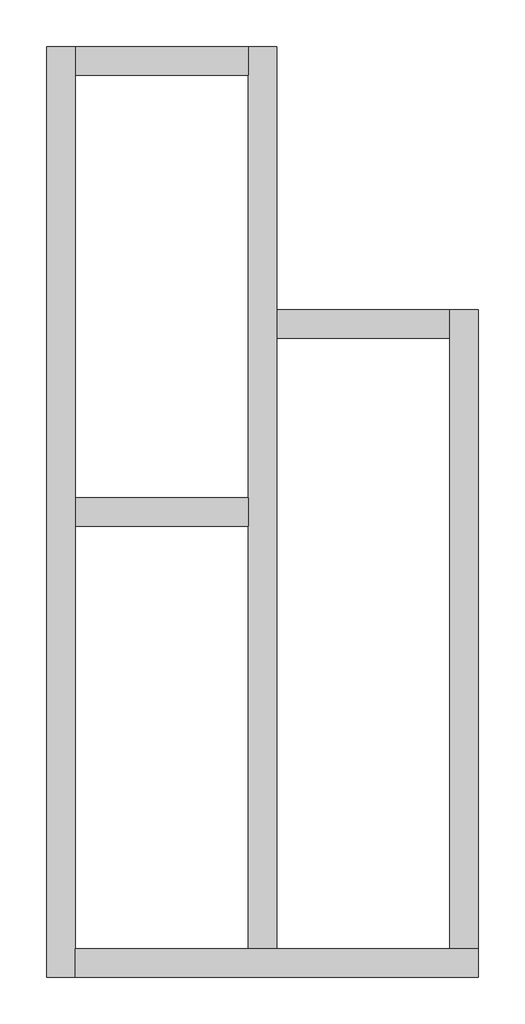
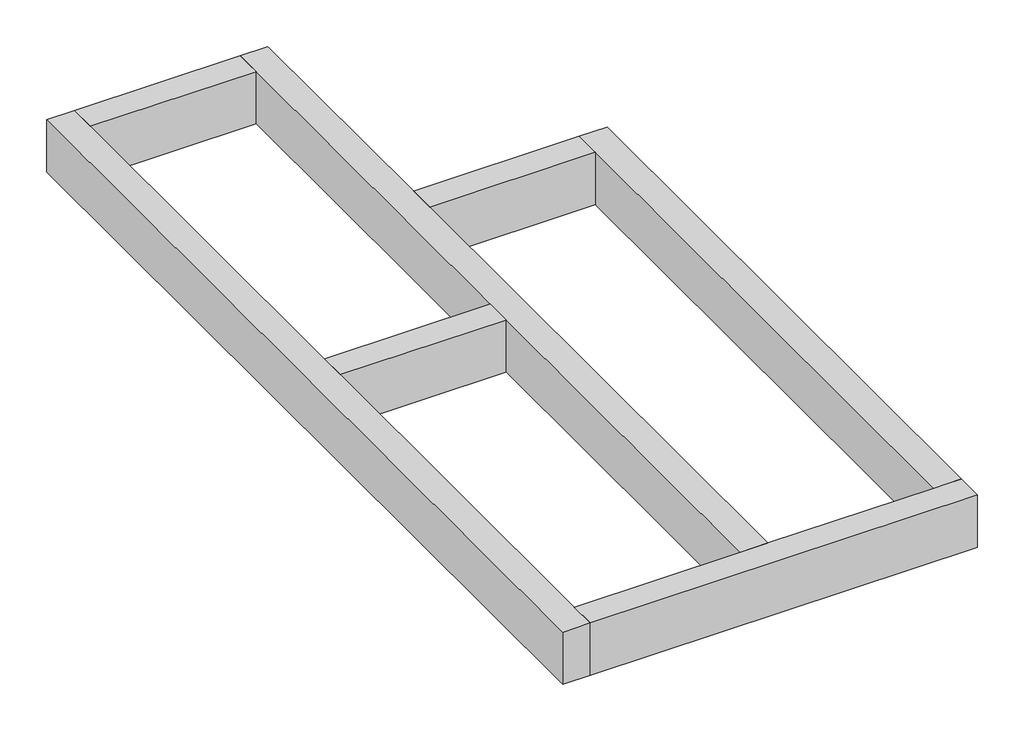
# One storey: 7 beams.
"""IFC4 building model written with IfcOpenShell, lengths in millimetres."""

from ifc_helpers import new_model, si_unit, frame, origin, place, context, project, spatial, polyline, outline, extrude, faceted_brep, element, save

model = new_model("IFC4")

# Units and contexts
model_context = context("Model", 3, world=origin())
ifc_project = project(units=[si_unit("LENGTHUNIT", "METRE", prefix="MILLI")], contexts=[model_context])

# Site, building, storey
site = spatial("IfcSite", under=ifc_project)
building = spatial("IfcBuilding", under=site)
storey = spatial("IfcBuildingStorey", under=building, Elevation=-1200.0)

# Beams
placement = place(None, origin())
element("IfcBeam", 1, ObjectType="300x600", at=placement, inside=storey, context=model_context, shape_type="Brep", body=[
    faceted_brep([(-9778.2860255, 14707.8411318, -800.0), (-10078.2860255, 14707.8411318, -800.0), (-10078.2860255, 5007.8411318, -800.0), (-9778.2860255, 5007.8411318, -800.0), (-9778.2860255, 5307.8411318, -800.0), (-9778.2860255, 9707.8411318, -800.0), (-9778.2860255, 10007.8411318, -800.0), (-9778.2860255, 14407.8411318, -800.0), (-10078.2860255, 14707.8411318, -1400.0), (-10078.2860255, 5007.8411318, -1400.0), (-9778.2860255, 14707.8411318, -1400.0), (-9778.2860255, 14407.8411318, -1400.0), (-9778.2860255, 10007.8411318, -1400.0), (-9778.2860255, 9707.8411318, -1400.0), (-9778.2860255, 5307.8411318, -1400.0), (-9778.2860255, 5007.8411318, -1400.0)], [[[0, 1, 2, 3, 4, 5, 6, 7]], [[1, 8, 9, 2]], [[8, 10, 11, 12, 13, 14, 15, 9]], [[10, 0, 7, 6, 5, 4, 3, 15, 14, 13, 12, 11]], [[1, 0, 10, 8]], [[3, 2, 9, 15]]]),
])
element("IfcBeam", 2, ObjectType="300x600", at=placement, inside=storey, context=model_context, shape_type="Brep", body=[
    faceted_brep([(-5578.2860255, 5007.8411318, -800.0), (-5578.2860255, 5307.8411318, -800.0), (-5878.2860255, 5307.8411318, -800.0), (-7678.2860255, 5307.8411318, -800.0), (-7978.2860255, 5307.8411318, -800.0), (-9778.2860255, 5307.8411318, -800.0), (-9778.2860255, 5007.8411318, -800.0), (-5578.2860255, 5307.8411318, -1400.0), (-5878.2860255, 5307.8411318, -1400.0), (-7678.2860255, 5307.8411318, -1400.0), (-7978.2860255, 5307.8411318, -1400.0), (-9778.2860255, 5307.8411318, -1400.0), (-5578.2860255, 5007.8411318, -1400.0), (-9778.2860255, 5007.8411318, -1400.0)], [[[0, 1, 2, 3, 4, 5, 6]], [[1, 7, 8, 9, 10, 11, 5, 4, 3, 2]], [[7, 12, 13, 11, 10, 9, 8]], [[12, 0, 6, 13]], [[1, 0, 12, 7]], [[6, 5, 11, 13]]]),
])
element("IfcBeam", 3, ObjectType="300x600", at=placement, inside=storey, context=model_context, shape_type="Brep", body=[
    faceted_brep([(-5578.2860255, 11967.8411318, -800.0), (-5878.2860255, 11967.8411318, -800.0), (-5878.2860255, 11667.8411318, -800.0), (-5878.2860255, 5307.8411318, -800.0), (-5578.2860255, 5307.8411318, -800.0), (-5878.2860255, 11967.8411318, -1400.0), (-5878.2860255, 11667.8411318, -1400.0), (-5878.2860255, 5307.8411318, -1400.0), (-5578.2860255, 11967.8411318, -1400.0), (-5578.2860255, 5307.8411318, -1400.0)], [[[0, 1, 2, 3, 4]], [[1, 5, 6, 7, 3, 2]], [[5, 8, 9, 7, 6]], [[8, 0, 4, 9]], [[4, 3, 7, 9]], [[1, 0, 8, 5]]]),
])
element("IfcBeam", 4, ObjectType="300x600", at=placement, inside=storey, context=model_context, shape_type="Brep", body=[
    faceted_brep([(-7678.2860255, 14707.8411318, -800.0), (-7978.2860255, 14707.8411318, -800.0), (-7978.2860255, 14407.8411318, -800.0), (-7978.2860255, 10007.8411318, -800.0), (-7978.2860255, 9707.8411318, -800.0), (-7978.2860255, 5307.8411318, -800.0), (-7678.2860255, 5307.8411318, -800.0), (-7678.2860255, 11667.8411318, -800.0), (-7678.2860255, 11967.8411318, -800.0), (-7978.2860255, 14707.8411318, -1400.0), (-7978.2860255, 14407.8411318, -1400.0), (-7978.2860255, 10007.8411318, -1400.0), (-7978.2860255, 9707.8411318, -1400.0), (-7978.2860255, 5307.8411318, -1400.0), (-7678.2860255, 14707.8411318, -1400.0), (-7678.2860255, 11967.8411318, -1400.0), (-7678.2860255, 11667.8411318, -1400.0), (-7678.2860255, 5307.8411318, -1400.0)], [[[0, 1, 2, 3, 4, 5, 6, 7, 8]], [[1, 9, 10, 11, 12, 13, 5, 4, 3, 2]], [[9, 14, 15, 16, 17, 13, 12, 11, 10]], [[14, 0, 8, 7, 6, 17, 16, 15]], [[6, 5, 13, 17]], [[1, 0, 14, 9]]]),
])
element("IfcBeam", 5, ObjectType="300x600", at=placement, inside=storey, context=model_context, shape_type="SweptSolid", body=[
    extrude(outline(polyline([(-7978.2860255, 10007.8411318), (-7978.2860255, 9707.8411318), (-9778.2860255, 9707.8411318), (-9778.2860255, 10007.8411318), (-7978.2860255, 10007.8411318)])), frame((0.0, 0.0, -1400.0), z_axis=(0.0, 0.0, 1.0), x_axis=(1.0, 0.0, 0.0)), (0.0, 0.0, 1.0), 600.0),
])
element("IfcBeam", 6, ObjectType="300x600", at=placement, inside=storey, context=model_context, shape_type="SweptSolid", body=[
    extrude(outline(polyline([(-7978.2860255, 14707.8411318), (-7978.2860255, 14407.8411318), (-9778.2860255, 14407.8411318), (-9778.2860255, 14707.8411318), (-7978.2860255, 14707.8411318)])), frame((0.0, 0.0, -1400.0), z_axis=(0.0, 0.0, 1.0), x_axis=(1.0, 0.0, 0.0)), (0.0, 0.0, 1.0), 600.0),
])
element("IfcBeam", 7, ObjectType="300x600", at=placement, inside=storey, context=model_context, shape_type="SweptSolid", body=[
    extrude(outline(polyline([(-7678.2860255, 11667.8411318), (-7678.2860255, 11967.8411318), (-5878.2860255, 11967.8411318), (-5878.2860255, 11667.8411318), (-7678.2860255, 11667.8411318)])), frame((0.0, 0.0, -1400.0), z_axis=(0.0, 0.0, 1.0), x_axis=(1.0, 0.0, 0.0)), (0.0, 0.0, 1.0), 600.0),
])

save(model, "model.ifc")
